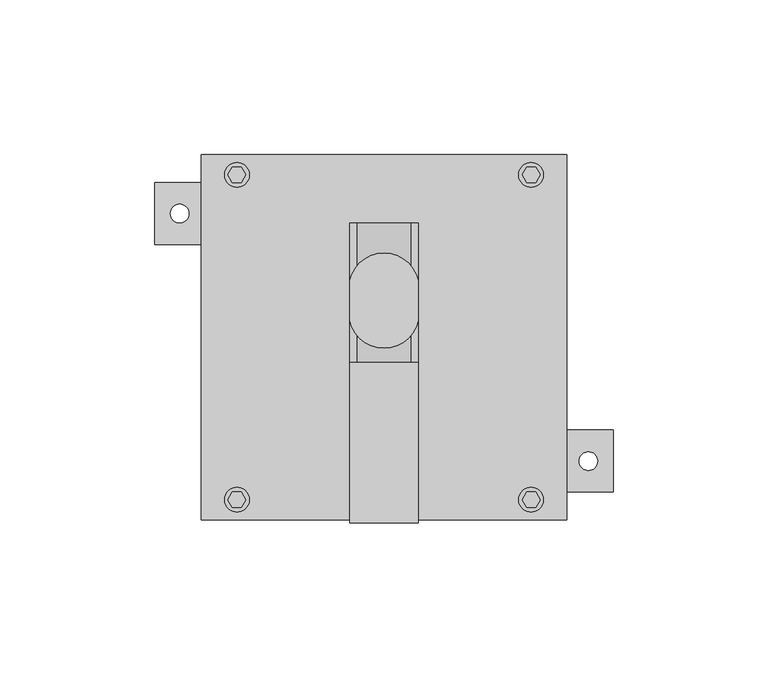
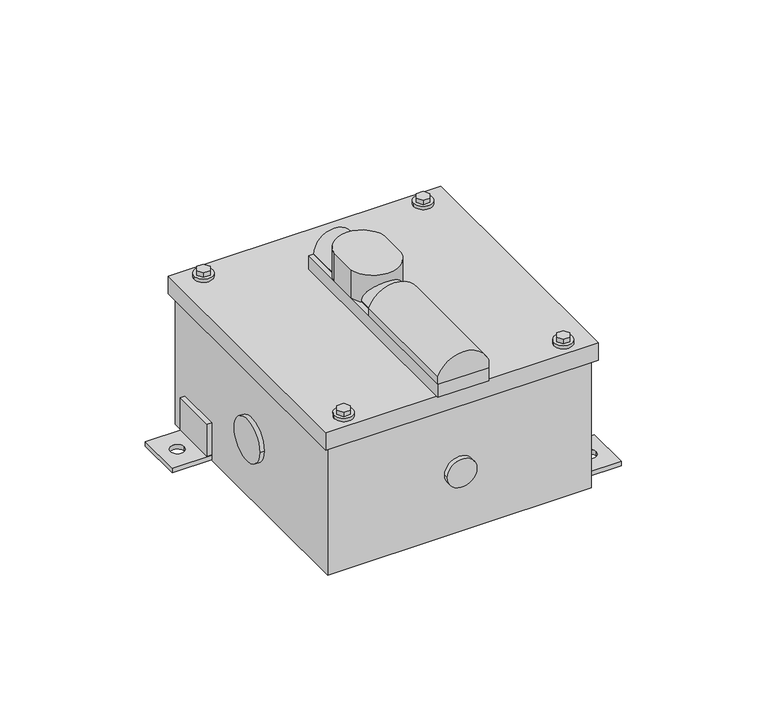
"""IFC4 building model written with IfcOpenShell, lengths in millimetres: proxy geometry."""

from ifc_helpers import new_model, si_unit, point, frame, frame_2d, origin, origin_with_axes, place, context, project, spatial, polyline, circle_curve, trimmed, segment, composite_curve, outline, extrude, source, transform, mapped, element, save


def specialty_equipment_1857adc4(model_context):
    return source(origin(), model_context, "Body", "SweptSolid", [
        extrude(outline(composite_curve([segment(trimmed(circle_curve(frame_2d((28.0, 0.0)), 6.4), [point((28.0, -6.4))], [point((28.0, 6.4))], False, "CARTESIAN"), True, "CONTINUOUS"), segment(trimmed(circle_curve(frame_2d((28.0, 0.0)), 6.4), [point((28.0, 6.4))], [point((28.0, -6.4))], False, "CARTESIAN"), True, "CONTINUOUS")], self_intersect=False)), frame((0.0, -59.0, 0.0), z_axis=(0.0, 1.0, 0.0), x_axis=(0.0, 0.0, 1.0)), (0.0, 0.0, 1.0), 2.0),
        extrude(outline(composite_curve([segment(trimmed(circle_curve(frame_2d((0.0, 28.0)), 9.525), [point((-9.525, 28.0))], [point((9.525, 28.0))], False, "CARTESIAN"), True, "CONTINUOUS"), segment(trimmed(circle_curve(frame_2d((0.0, 28.0)), 9.525), [point((9.525, 28.0))], [point((-9.525, 28.0))], False, "CARTESIAN"), True, "CONTINUOUS")], self_intersect=False)), frame((57.0, 0.0, 0.0), z_axis=(1.0, 0.0, 0.0), x_axis=(0.0, 1.0, 0.0)), (0.0, 0.0, 1.0), 2.0),
        extrude(outline(composite_curve([segment(trimmed(circle_curve(frame_2d((28.0, 0.0)), 6.35), [point((28.0, -6.35))], [point((28.0, 6.35))], False, "CARTESIAN"), True, "CONTINUOUS"), segment(trimmed(circle_curve(frame_2d((28.0, 0.0)), 6.35), [point((28.0, 6.35))], [point((28.0, -6.35))], False, "CARTESIAN"), True, "CONTINUOUS")], self_intersect=False)), frame((0.0, 57.0, 0.0), z_axis=(0.0, 1.0, 0.0), x_axis=(0.0, 0.0, 1.0)), (0.0, 0.0, 1.0), 2.0),
        extrude(outline(composite_curve([segment(trimmed(circle_curve(frame_2d((0.0, 28.0)), 9.525), [point((-9.525, 28.0))], [point((9.525, 28.0))], False, "CARTESIAN"), True, "CONTINUOUS"), segment(trimmed(circle_curve(frame_2d((0.0, 28.0)), 9.525), [point((9.525, 28.0))], [point((-9.525, 28.0))], False, "CARTESIAN"), True, "CONTINUOUS")], self_intersect=False)), frame((-59.0, 0.0, 0.0), z_axis=(1.0, 0.0, 0.0), x_axis=(0.0, 1.0, 0.0)), (0.0, 0.0, 1.0), 2.0),
        extrude(outline(composite_curve([segment(trimmed(circle_curve(frame_2d((77.8581418, 0.0)), 2.95), [point((77.8581418, -2.95))], [point((77.8581418, 2.95))], False, "CARTESIAN"), True, "CONTINUOUS"), segment(trimmed(circle_curve(frame_2d((77.8581418, 0.0)), 2.95), [point((77.8581418, 2.95))], [point((77.8581418, -2.95))], False, "CARTESIAN"), True, "CONTINUOUS")], self_intersect=False)), frame((0.0, 33.1384881, 0.0), z_axis=(0.0, 1.0, 0.0), x_axis=(0.0, 0.0, 1.0)), (0.0, 0.0, 1.0), 3.7191372),
        extrude(outline(composite_curve([segment(trimmed(circle_curve(frame_2d((72.9954222, 0.0)), 8.7160838), [point((72.9954222, -8.7160838))], [point((72.9954222, 8.7160838))], False, "CARTESIAN"), True, "CONTINUOUS"), segment(trimmed(circle_curve(frame_2d((72.9954222, 0.0)), 8.7160838), [point((72.9954222, 8.7160838))], [point((72.9954222, -8.7160838))], False, "CARTESIAN"), True, "CONTINUOUS")], self_intersect=False)), frame((0.0, -8.1241076, 0.0), z_axis=(0.0, 1.0, 0.0), x_axis=(0.0, 0.0, 1.0)), (0.0, 0.0, 1.0), 44.9817329),
        extrude(outline(composite_curve([segment(trimmed(circle_curve(frame_2d((72.3230471, 0.0)), 11.742703), [point((76.4329222, 11.0))], [point((76.4329222, -11.0))], False, "CARTESIAN"), True, "CONTINUOUS"), segment(polyline([(76.4329222, -11.0), (72.9954222, -11.0), (72.9954222, 11.0), (76.4329222, 11.0)]), True, "CONTINUOUS")], self_intersect=False)), frame((0.0, -60.0, 0.0), z_axis=(0.0, 1.0, 0.0), x_axis=(0.0, 0.0, 1.0)), (0.0, 0.0, 1.0), 51.8758924),
        extrude(outline(composite_curve([segment(polyline([(-11.0, 5.4857085), (-11.0, 18.2642915)]), True, "CONTINUOUS"), segment(trimmed(circle_curve(frame_2d((0.0, 16.006793)), 11.2292608), [point((-11.0, 18.2642915))], [point((11.0, 18.2642915))], False, "CARTESIAN"), True, "CONTINUOUS"), segment(polyline([(11.0, 18.2642915), (11.0, 5.4857085)]), True, "CONTINUOUS"), segment(trimmed(circle_curve(frame_2d((0.0, 7.743207)), 11.2292608), [point((11.0, 5.4857085))], [point((-11.0, 5.4857085))], False, "CARTESIAN"), True, "CONTINUOUS")], self_intersect=False)), frame((0.0, 0.0, 72.9954222), z_axis=(0.0, 0.0, 1.0), x_axis=(1.0, 0.0, 0.0)), (0.0, 0.0, 1.0), 12.7907643),
        extrude(outline(polyline([(11.0, 36.8576253), (11.0, -60.0), (-11.0, -60.0), (-11.0, 36.8576253), (11.0, 36.8576253)])), frame((0.0, 0.0, 67.0), z_axis=(0.0, 0.0, 1.0), x_axis=(1.0, 0.0, 0.0)), (0.0, 0.0, 1.0), 5.9954222),
        extrude(outline(polyline([(-50.3867513, 52.5), (-48.9433757, 55.0), (-46.0566243, 55.0), (-44.6132487, 52.5), (-46.0566243, 50.0), (-48.9433757, 50.0), (-50.3867513, 52.5)])), frame((0.0, 0.0, 68.4954222), z_axis=(0.0, 0.0, 1.0), x_axis=(1.0, 0.0, 0.0)), (0.0, 0.0, 1.0), 2.0),
        extrude(outline(polyline([(44.6132487, 52.5), (46.0566243, 55.0), (48.9433757, 55.0), (50.3867513, 52.5), (48.9433757, 50.0), (46.0566243, 50.0), (44.6132487, 52.5)])), frame((0.0, 0.0, 68.4954222), z_axis=(0.0, 0.0, 1.0), x_axis=(1.0, 0.0, 0.0)), (0.0, 0.0, 1.0), 2.0),
        extrude(outline(polyline([(44.6132487, -52.5), (46.0566243, -50.0), (48.9433757, -50.0), (50.3867513, -52.5), (48.9433757, -55.0), (46.0566243, -55.0), (44.6132487, -52.5)])), frame((0.0, 0.0, 68.4954222), z_axis=(0.0, 0.0, 1.0), x_axis=(1.0, 0.0, 0.0)), (0.0, 0.0, 1.0), 2.0),
        extrude(outline(polyline([(-50.3867513, -52.5), (-48.9433757, -50.0), (-46.0566243, -50.0), (-44.6132487, -52.5), (-46.0566243, -55.0), (-48.9433757, -55.0), (-50.3867513, -52.5)])), frame((0.0, 0.0, 68.4954222), z_axis=(0.0, 0.0, 1.0), x_axis=(1.0, 0.0, 0.0)), (0.0, 0.0, 1.0), 2.0),
        extrude(outline(composite_curve([segment(trimmed(circle_curve(frame_2d((-47.5, 52.5)), 4.0), [point((-51.5, 52.5))], [point((-43.5, 52.5))], False, "CARTESIAN"), True, "CONTINUOUS"), segment(trimmed(circle_curve(frame_2d((-47.5, 52.5)), 4.0), [point((-43.5, 52.5))], [point((-51.5, 52.5))], False, "CARTESIAN"), True, "CONTINUOUS")], self_intersect=False)), frame((0.0, 0.0, 67.0), z_axis=(0.0, 0.0, 1.0), x_axis=(1.0, 0.0, 0.0)), (0.0, 0.0, 1.0), 1.4954222),
        extrude(outline(composite_curve([segment(trimmed(circle_curve(frame_2d((47.5, 52.5)), 4.0), [point((43.5, 52.5))], [point((51.5, 52.5))], False, "CARTESIAN"), True, "CONTINUOUS"), segment(trimmed(circle_curve(frame_2d((47.5, 52.5)), 4.0), [point((51.5, 52.5))], [point((43.5, 52.5))], False, "CARTESIAN"), True, "CONTINUOUS")], self_intersect=False)), frame((0.0, 0.0, 67.0), z_axis=(0.0, 0.0, 1.0), x_axis=(1.0, 0.0, 0.0)), (0.0, 0.0, 1.0), 1.4954222),
        extrude(outline(composite_curve([segment(trimmed(circle_curve(frame_2d((-47.5, -52.5)), 4.0), [point((-51.5, -52.5))], [point((-43.5, -52.5))], False, "CARTESIAN"), True, "CONTINUOUS"), segment(trimmed(circle_curve(frame_2d((-47.5, -52.5)), 4.0), [point((-43.5, -52.5))], [point((-51.5, -52.5))], False, "CARTESIAN"), True, "CONTINUOUS")], self_intersect=False)), frame((0.0, 0.0, 67.0), z_axis=(0.0, 0.0, 1.0), x_axis=(1.0, 0.0, 0.0)), (0.0, 0.0, 1.0), 1.4954222),
        extrude(outline(composite_curve([segment(trimmed(circle_curve(frame_2d((47.5, -52.5)), 4.0), [point((43.5, -52.5))], [point((51.5, -52.5))], False, "CARTESIAN"), True, "CONTINUOUS"), segment(trimmed(circle_curve(frame_2d((47.5, -52.5)), 4.0), [point((51.5, -52.5))], [point((43.5, -52.5))], False, "CARTESIAN"), True, "CONTINUOUS")], self_intersect=False)), frame((0.0, 0.0, 67.0), z_axis=(0.0, 0.0, 1.0), x_axis=(1.0, 0.0, 0.0)), (0.0, 0.0, 1.0), 1.4954222),
        extrude(outline(polyline([(-57.0, 50.0), (-57.0, 30.0), (-74.0, 30.0), (-74.0, 50.0), (-57.0, 50.0)]), holes=[composite_curve([segment(trimmed(circle_curve(frame_2d((-66.0, 40.0)), 3.0), [point((-69.0, 40.0))], [point((-63.0, 40.0))], True, "CARTESIAN"), True, "CONTINUOUS"), segment(trimmed(circle_curve(frame_2d((-66.0, 40.0)), 3.0), [point((-63.0, 40.0))], [point((-69.0, 40.0))], True, "CARTESIAN"), True, "CONTINUOUS")], self_intersect=False)]), origin_with_axes(), (0.0, 0.0, 1.0), 2.0),
        extrude(outline(polyline([(74.0, -30.0), (74.0, -50.0), (57.0, -50.0), (57.0, -30.0), (74.0, -30.0)]), holes=[composite_curve([segment(trimmed(circle_curve(frame_2d((66.0, -40.0)), 3.0), [point((63.0, -40.0))], [point((69.0, -40.0))], True, "CARTESIAN"), True, "CONTINUOUS"), segment(trimmed(circle_curve(frame_2d((66.0, -40.0)), 3.0), [point((69.0, -40.0))], [point((63.0, -40.0))], True, "CARTESIAN"), True, "CONTINUOUS")], self_intersect=False)]), origin_with_axes(), (0.0, 0.0, 1.0), 2.0),
        extrude(outline(polyline([(-57.0, 50.0), (-57.0, 30.0), (-59.0, 30.0), (-59.0, 50.0), (-57.0, 50.0)])), origin_with_axes(), (0.0, 0.0, 1.0), 17.0),
        extrude(outline(polyline([(59.0, -30.0), (59.0, -50.0), (57.0, -50.0), (57.0, -30.0), (59.0, -30.0)])), origin_with_axes(), (0.0, 0.0, 1.0), 17.0),
        extrude(outline(polyline([(59.0, 59.0), (59.0, -59.0), (-59.0, -59.0), (-59.0, 59.0), (59.0, 59.0)])), frame((0.0, 0.0, 59.0), z_axis=(0.0, 0.0, 1.0), x_axis=(1.0, 0.0, 0.0)), (0.0, 0.0, 1.0), 8.0),
        extrude(outline(polyline([(57.0, 57.0), (57.0, -57.0), (-57.0, -57.0), (-57.0, 57.0), (57.0, 57.0)]), holes=[polyline([(55.0, 55.0), (-55.0, 55.0), (-55.0, -55.0), (55.0, -55.0), (55.0, 55.0)])]), origin_with_axes(), (0.0, 0.0, 1.0), 65.0),
        extrude(outline(polyline([(57.0, 57.0), (57.0, -57.0), (-57.0, -57.0), (-57.0, 57.0), (57.0, 57.0)])), origin_with_axes(), (0.0, 0.0, 1.0), 2.0),
    ])


if __name__ == "__main__":
    model = new_model("IFC4")
    model_context = context("Model", 3, world=origin())
    ifc_project = project(units=[si_unit("LENGTHUNIT", "METRE", prefix="MILLI")], contexts=[model_context])
    site = spatial("IfcSite", under=ifc_project)
    building = spatial("IfcBuilding", under=site)
    placement = place(None, origin())
    specialty_equipment_shape = specialty_equipment_1857adc4(model_context)
    element("IfcBuildingElementProxy", 1, Name="Specialty Equipment", at=placement, inside=building, context=model_context, shape_type="MappedRepresentation", body=[
        mapped(specialty_equipment_shape, transform((0.0, 0.0, 0.0), x_axis=(1.0, 0.0, 0.0), y_axis=(0.0, 1.0, 0.0), z_axis=(0.0, 0.0, 1.0))),
    ])
    save(model, "model.ifc")
